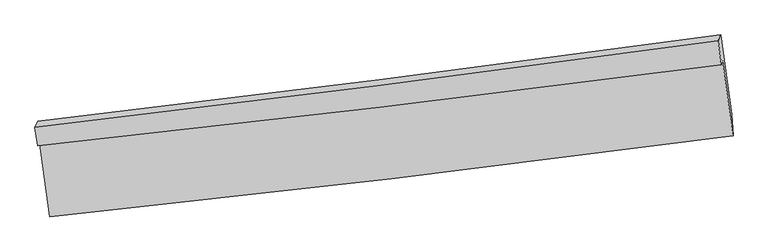
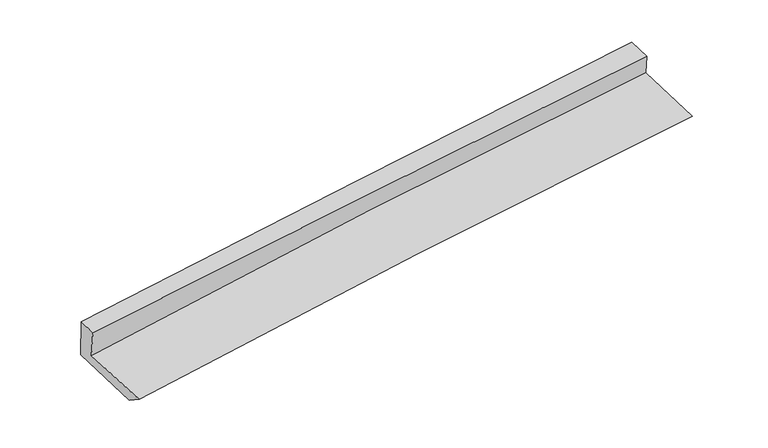
"""IFC4 building model written with IfcOpenShell, lengths in millimetres: proxy geometry."""

from ifc_helpers import new_model, si_unit, frame, origin, place, context, project, spatial, source, transform, mapped, element, save
from ifc_brep_helpers import plane_surface, spline_curve, spline_surface, advanced_brep


def generic_models_38c7df49(model_context):
    return source(origin(), model_context, "Body", "AdvancedBrep", [
        advanced_brep(
        [(-3009.2647922, -1848.6825812, 1691.8361246), (-2917.0169096, -2519.853896, 1601.1248222), (3051.2872909, -1810.8743392, 2091.6036205), (2960.835578, -1158.4740162, 2189.83585), (-3024.6528166, -1899.7255782, 1972.4340845), (2949.2960108, -1190.1346967, 2389.4817778), (-3047.3421197, -1736.0746295, 1997.0750864), (2920.5283783, -982.7700563, 2420.9314831), (-3023.4733062, -1683.857109, 1605.7333299), (2942.8418232, -930.7340932, 2049.8449051), (-2929.1047441, -2364.5084577, 1503.2473299), (3039.0674793, -1624.7800883, 1945.3420667)],
        [
            (0, 1),
            (1, 2, spline_curve(3, [(-2917.0169096, -2519.853896, 1601.1248222), (-1923.122844475, -2415.118641676, 1714.849524222), (-928.799728081, -2303.66708488, 1812.585978102), (1060.635065282, -2067.339626773, 1976.076675524), (2055.746682345, -1942.464664659, 2041.833154287), (3051.2872909, -1810.8743392, 2091.6036205)], [4, 2, 4], [0.0, 9.894553640744277, 19.78841555846542])),
            (2, 3),
            (3, 0, spline_curve(3, [(2960.835578, -1158.4740162, 2189.83585), (1964.657968316, -1286.747139178, 2142.837382039), (969.078168849, -1408.399301908, 2077.840250633), (-1020.955371178, -1638.469749425, 1911.842858969), (-2015.409028892, -1746.887108262, 1810.840081878), (-3009.2647922, -1848.6825812, 1691.8361246)], [4, 2, 4], [0.0, 9.893861917721143, 19.78841555846542])),
            (4, 0),
            (3, 5),
            (5, 4, spline_curve(3, [(2949.2960108, -1190.1346967, 2389.4817778), (1953.955627936, -1319.128469452, 2332.913126843), (958.473774628, -1442.756049905, 2269.876268273), (-1032.842481596, -1679.287093864, 2130.861274724), (-2028.676904001, -1792.189807605, 2054.882235809), (-3024.6528166, -1899.7255782, 1972.4340845)], [4, 2, 4], [0.0, 9.892905843758953, 19.786503343697742])),
            (6, 4),
            (5, 7),
            (7, 6, spline_curve(3, [(2920.5283783, -982.7700563, 2420.9314831), (1925.963395591, -1117.292839184, 2363.416972119), (931.375747576, -1247.327574227, 2299.339814043), (-1057.914414919, -1498.429726089, 2158.05526622), (-2052.616933448, -1619.496515611, 2080.846958607), (-3047.3421197, -1736.0746295, 1997.0750864)], [4, 2, 4], [0.0, 9.892073345560632, 19.78483828909752])),
            (8, 6),
            (7, 9),
            (9, 8, spline_curve(3, [(2942.8418232, -930.7340932, 2049.8449051), (1948.652097364, -1066.046463874, 1988.800780213), (954.381689964, -1196.460877806, 1921.270940249), (-1034.390008784, -1447.502568197, 1773.234655601), (-2028.891310795, -1568.129159381, 1692.727303695), (-3023.4733062, -1683.857109, 1605.7333299)], [4, 2, 4], [0.0, 9.891833298585729, 19.784358178364982])),
            (10, 8),
            (9, 11),
            (11, 10, spline_curve(3, [(3039.0674793, -1624.7800883, 1945.3420667), (2044.39766604, -1756.629736336, 1884.819325616), (1049.732459388, -1884.19658611, 1817.718244848), (-939.658282447, -2130.773308216, 1670.354252503), (-1934.383816828, -2249.782581643, 1590.090421002), (-2929.1047441, -2364.5084577, 1503.2473299)], [4, 2, 4], [0.0, 9.891777342757605, 19.78424626279662])),
            (1, 10),
            (11, 2),
        ],
        [
            spline_surface(3, 3, [[(-3009.2647922, -1848.6825812, 1691.8361246), (-2015.409028921, -1746.887108336, 1810.840081836), (-1020.955371313, -1638.469749421, 1911.842858972), (969.078168984, -1408.399301912, 2077.84025063), (1964.65796817, -1286.747139178, 2142.837381941), (2960.835578, -1158.4740162, 2189.83585)], [(-2978.515498025, -2072.4063528, 1661.599023803), (-1984.646967518, -1969.630952792, 1778.843229257), (-990.236823605, -1860.202194541, 1878.75723201), (999.597134426, -1628.046076882, 2043.919058908), (1995.020872912, -1505.319647735, 2109.16930603), (2990.986148986, -1375.940790551, 2157.091773487)], [(-2947.766203775, -2296.1301244, 1631.361922997), (-1953.88490604, -2192.374797247, 1746.846376668), (-959.518275858, -2081.934639686, 1845.671605086), (1030.116099909, -1847.692851877, 2009.997867224), (2025.383777596, -1723.892156238, 2075.501230158), (3021.136719914, -1593.407564849, 2124.347697013)], [(-2917.0169096, -2519.853896, 1601.1248222), (-1923.122844636, -2415.118641703, 1714.849524089), (-928.79972815, -2303.667084806, 1812.585978124), (1060.635065351, -2067.339626847, 1976.076675502), (2055.746682338, -1942.464664795, 2041.833154247), (3051.2872909, -1810.8743392, 2091.6036205)]], [4, 4], [4, 2, 4], [0.0, 2.217603371588316], [0.0, 9.894553640744277, 19.78841555846542]),
            spline_surface(3, 3, [[(-3024.6528166, -1899.7255782, 1972.4340845), (-2028.6769039, -1792.189807467, 2054.882235926), (-1032.842481502, -1679.28709399, 2130.86127485), (958.473774535, -1442.756049779, 2269.876268148), (1953.955627898, -1319.12846943, 2332.913126983), (2949.2960108, -1190.1346967, 2389.4817778)], [(-3019.52347511, -1882.711245854, 1878.901431184), (-2024.254278884, -1777.088907744, 1973.534851214), (-1028.880111438, -1665.681312457, 2057.855136235), (962.008572686, -1431.30380048, 2205.86426232), (1957.523074628, -1308.334692661, 2269.554545292), (2953.142533173, -1179.581136515, 2322.93313519)], [(-3014.39413369, -1865.696913546, 1785.368777916), (-2019.831653938, -1761.988008059, 1892.187466548), (-1024.917741378, -1652.075530954, 1984.848997587), (965.543370833, -1419.851551212, 2141.852256458), (1961.090521439, -1297.540915947, 2206.195963632), (2956.989055627, -1169.027576385, 2256.38449261)], [(-3009.2647922, -1848.6825812, 1691.8361246), (-2015.409028921, -1746.887108336, 1810.840081836), (-1020.955371313, -1638.469749421, 1911.842858972), (969.078168984, -1408.399301912, 2077.84025063), (1964.65796817, -1286.747139178, 2142.837381941), (2960.835578, -1158.4740162, 2189.83585)]], [4, 4], [4, 2, 4], [0.0, 0.6864807279131733], [0.0, 9.893597499938789, 19.786503343697742]),
            spline_surface(3, 3, [[(-3047.3421197, -1736.0746295, 1997.0750864), (-2052.616933335, -1619.496515493, 2080.84695851), (-1057.914415082, -1498.429726144, 2158.055266182), (931.375747739, -1247.327574172, 2299.339814081), (1925.963395506, -1117.292839105, 2363.416971954), (2920.5283783, -982.7700563, 2420.9314831)], [(-3039.779018684, -1790.62494574, 1988.861419121), (-2044.636923541, -1677.060946157, 2072.192051003), (-1049.557103895, -1558.715515447, 2148.9906024), (940.408423331, -1312.470399395, 2289.518632099), (1935.294139649, -1184.571382541, 2353.249023644), (2930.117589146, -1051.891603095, 2410.448248014)], [(-3032.215917616, -1845.17526196, 1980.647751779), (-2036.656913695, -1734.625376802, 2063.537143433), (-1041.19979269, -1619.001304688, 2139.925938632), (949.441098942, -1377.613224556, 2279.697450131), (1944.624883754, -1251.849925993, 2343.081075292), (2939.706799954, -1121.013149905, 2399.965012886)], [(-3024.6528166, -1899.7255782, 1972.4340845), (-2028.6769039, -1792.189807467, 2054.882235926), (-1032.842481502, -1679.28709399, 2130.86127485), (958.473774535, -1442.756049779, 2269.876268148), (1953.955627898, -1319.12846943, 2332.913126983), (2949.2960108, -1190.1346967, 2389.4817778)]], [4, 4], [4, 2, 4], [0.0, 0.6300622560276347], [0.0, 9.89276494353689, 19.78483828909752]),
            spline_surface(3, 3, [[(-3023.4733062, -1683.857109, 1605.7333299), (-2028.891310859, -1568.129159268, 1692.727303731), (-1034.390008679, -1447.502568096, 1773.234655522), (954.38168986, -1196.460877907, 1921.270940328), (1948.652097438, -1066.046463859, 1988.800780283), (2942.8418232, -930.7340932, 2049.8449051)], [(-3031.429577349, -1701.262949154, 1736.180582063), (-2036.799851666, -1585.251611329, 1822.100521987), (-1042.231477449, -1464.478287454, 1901.508192415), (946.713042517, -1213.416443337, 2047.293898252), (1941.089196781, -1083.128588959, 2113.672844187), (2935.40400822, -948.079414252, 2173.540431114)], [(-3039.385848551, -1718.668789346, 1866.627834237), (-2044.708392528, -1602.374063431, 1951.473740254), (-1050.072946312, -1481.454006786, 2029.781729289), (939.044395081, -1230.372008742, 2173.316856158), (1933.526296163, -1100.210714005, 2238.54490805), (2927.96619328, -965.424735248, 2297.235957086)], [(-3047.3421197, -1736.0746295, 1997.0750864), (-2052.616933335, -1619.496515493, 2080.84695851), (-1057.914415082, -1498.429726144, 2158.055266182), (931.375747739, -1247.327574172, 2299.339814081), (1925.963395506, -1117.292839105, 2363.416971954), (2920.5283783, -982.7700563, 2420.9314831)]], [4, 4], [4, 2, 4], [0.0, 1.2648564907385371], [0.0, 9.892524879779254, 19.784358178364982]),
            spline_surface(3, 3, [[(-2929.1047441, -2364.5084577, 1503.2473299), (-1934.383816768, -2249.782581593, 1590.090421025), (-939.658282428, -2130.773308159, 1670.354252473), (1049.732459369, -1884.196586166, 1817.718244877), (2044.397666123, -1756.629736428, 1884.819325675), (3039.0674793, -1624.7800883, 1945.3420667)], [(-2960.560931472, -2137.624674823, 1537.409329903), (-1965.886314804, -2022.564774174, 1624.302715263), (-971.235524538, -1903.01639478, 1704.647720155), (1017.948869507, -1654.951350055, 1852.235810026), (2012.482476557, -1526.435312218, 1919.479810531), (3006.992260596, -1393.431423247, 1980.176346154)], [(-2992.017118828, -1910.740891877, 1571.571329897), (-1997.388812823, -1795.346966686, 1658.515009492), (-1002.81276657, -1675.259481475, 1738.94118784), (986.165279722, -1425.706114018, 1886.753375179), (1980.567287004, -1296.240888068, 1954.140295426), (2974.917041904, -1162.082758253, 2015.010625646)], [(-3023.4733062, -1683.857109, 1605.7333299), (-2028.891310859, -1568.129159268, 1692.727303731), (-1034.390008679, -1447.502568096, 1773.234655522), (954.38168986, -1196.460877907, 1921.270940328), (1948.652097438, -1066.046463859, 1988.800780283), (2942.8418232, -930.7340932, 2049.8449051)]], [4, 4], [4, 2, 4], [0.0, 2.295652561545542], [0.0, 9.892468920039017, 19.78424626279662]),
            spline_surface(3, 3, [[(-2917.0169096, -2519.853896, 1601.1248222), (-1923.122844636, -2415.118641703, 1714.849524089), (-928.79972815, -2303.667084806, 1812.585978124), (1060.635065351, -2067.339626847, 1976.076675502), (2055.746682338, -1942.464664795, 2041.833154247), (3051.2872909, -1810.8743392, 2091.6036205)], [(-2921.046187761, -2468.07208323, 1568.498991425), (-1926.876502007, -2360.006621662, 1673.263156393), (-932.41924623, -2246.035825938, 1765.175402908), (1057.00086337, -2006.291946634, 1923.290531962), (2051.963676945, -1880.51968868, 1989.495211398), (3047.214020379, -1748.842922241, 2042.849769241)], [(-2925.075465939, -2416.29027047, 1535.873160675), (-1930.630159397, -2304.894601633, 1631.676788721), (-936.038764348, -2188.404567027, 1717.764827689), (1053.36666135, -1945.244266379, 1870.504388417), (2048.180671516, -1818.574712542, 1937.157268524), (3043.140749821, -1686.811505259, 1994.095917959)], [(-2929.1047441, -2364.5084577, 1503.2473299), (-1934.383816768, -2249.782581593, 1590.090421025), (-939.658282428, -2130.773308159, 1670.354252473), (1049.732459369, -1884.196586166, 1817.718244877), (2044.397666123, -1756.629736428, 1884.819325675), (3039.0674793, -1624.7800883, 1945.3420667)]], [4, 4], [4, 2, 4], [0.0, 0.7651974725919586], [0.0, 9.893126123783105, 19.785560624340032]),
            plane_surface(frame((2977.3094268, -1282.961215, 2181.1732839), z_axis=(0.9890916556306186, 0.1255267112456326, 0.07707620596356153), x_axis=(-0.05944212990164015, -0.13862173634632627, 0.9885598855937289))),
            plane_surface(frame((-2991.8091147, -2008.7837086, 1728.5751296), z_axis=(-0.9890916556312714, -0.1255267112476289, -0.07707620595193397), x_axis=(-0.1349586539797889, 0.9819236469741335, 0.13271063721111798))),
        ],
        [
            (0, [[1, 2, 3, 4]]),
            (1, [[5, -4, 6, 7]]),
            (2, [[8, -7, 9, 10]]),
            (3, [[11, -10, 12, 13]]),
            (4, [[14, -13, 15, 16]]),
            (5, [[17, -16, 18, -2]]),
            (6, [[-12, -9, -6, -3, -18, -15]]),
            (7, [[-1, -5, -8, -11, -14, -17]]),
        ],
    ),
    ])


if __name__ == "__main__":
    model = new_model("IFC4")
    model_context = context("Model", 3, world=origin())
    ifc_project = project(units=[si_unit("LENGTHUNIT", "METRE", prefix="MILLI")], contexts=[model_context])
    site = spatial("IfcSite", under=ifc_project)
    building = spatial("IfcBuilding", under=site)
    placement = place(None, origin())
    generic_models_shape = generic_models_38c7df49(model_context)
    element("IfcBuildingElementProxy", 1, Name="Generic Models", at=placement, inside=building, context=model_context, shape_type="MappedRepresentation", body=[
        mapped(generic_models_shape, transform((0.0, 0.0, 0.0), x_axis=(1.0, 0.0, 0.0), y_axis=(0.0, 1.0, 0.0), z_axis=(0.0, 0.0, 1.0))),
    ])
    save(model, "model.ifc")
